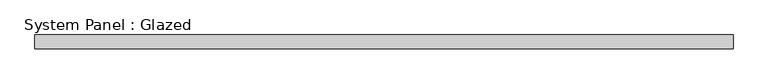
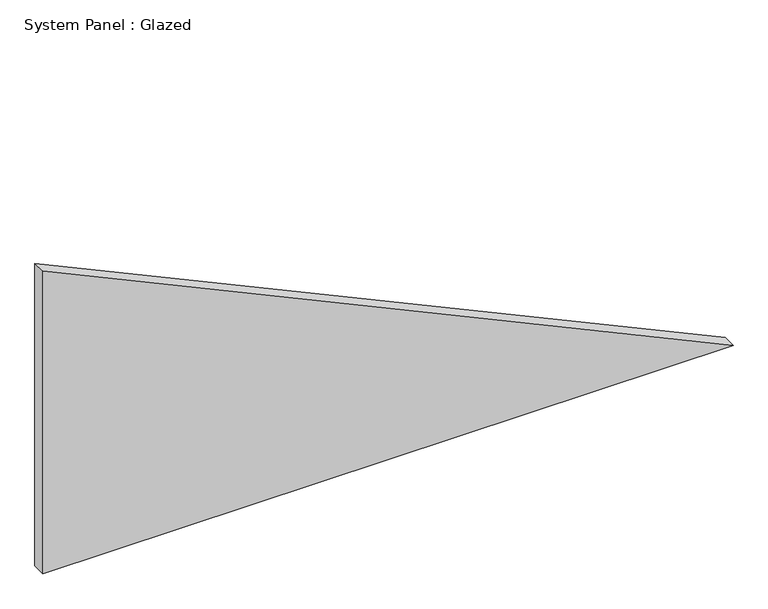
"""IFC4 building model written with IfcOpenShell, lengths in millimetres: plate geometry, System Panel : Glazed."""

from ifc_helpers import new_model, si_unit, frame, origin, place, context, project, spatial, polyline, outline, extrude, source, transform, mapped, element, save


def system_panel_glazed_1700a595(model_context):
    return source(origin(), model_context, "Body", "SweptSolid", [
        extrude(outline(polyline([(0.0, -636.4678783), (0.0, 636.4678783), (590.5152584, -636.4678783), (0.0, -636.4678783)])), frame((0.0, 52.5, 0.0), z_axis=(0.0, 1.0, 0.0), x_axis=(0.0, 0.0, 1.0)), (0.0, 0.0, 1.0), 25.0),
    ])


if __name__ == "__main__":
    model = new_model("IFC4")
    model_context = context("Model", 3, world=origin())
    ifc_project = project(units=[si_unit("LENGTHUNIT", "METRE", prefix="MILLI")], contexts=[model_context])
    site = spatial("IfcSite", under=ifc_project)
    building = spatial("IfcBuilding", under=site)
    placement = place(None, origin())
    system_panel_glazed_shape = system_panel_glazed_1700a595(model_context)
    element("IfcPlate", 1, ObjectType="System Panel : Glazed", at=placement, inside=building, context=model_context, shape_type="MappedRepresentation", body=[
        mapped(system_panel_glazed_shape, transform((0.0, 0.0, 0.0), x_axis=(1.0, 0.0, 0.0), y_axis=(0.0, 1.0, 0.0), z_axis=(0.0, 0.0, 1.0))),
    ])
    save(model, "model.ifc")
